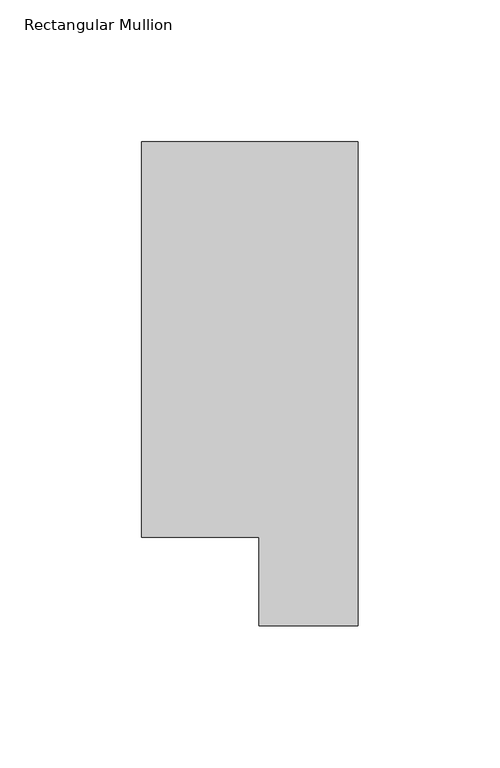
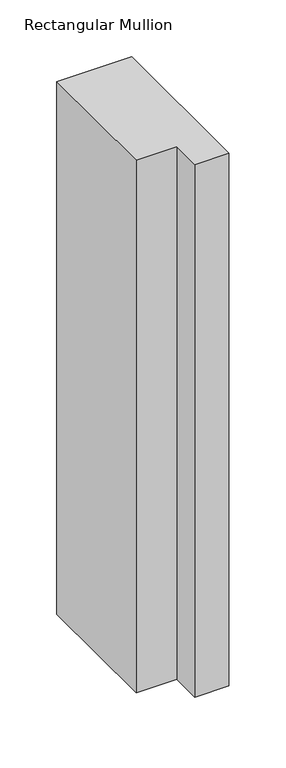
"""IFC4 building model written with IfcOpenShell, lengths in millimetres: member geometry, Rectangular Mullion."""

from ifc_helpers import new_model, si_unit, frame, origin, place, context, project, spatial, polyline, outline, extrude, source, transform, mapped, element, save


def rectangular_mullion_d69905ab(model_context):
    return source(origin(), model_context, "Body", "SweptSolid", [
        extrude(outline(polyline([(-76.2, 190.0007313), (0.0, 190.0007313), (0.0, 19.5667313), (-34.9123, 19.5667313), (-34.9123, 50.820278), (-76.2, 50.820278), (-76.2, 190.0007313)])), frame((0.0, 0.0, -571.8218524), z_axis=(0.0, 0.0, 1.0), x_axis=(1.0, 0.0, 0.0)), (0.0, 0.0, 1.0), 571.8218524),
    ])


if __name__ == "__main__":
    model = new_model("IFC4")
    model_context = context("Model", 3, world=origin())
    ifc_project = project(units=[si_unit("LENGTHUNIT", "METRE", prefix="MILLI")], contexts=[model_context])
    site = spatial("IfcSite", under=ifc_project)
    building = spatial("IfcBuilding", under=site)
    placement = place(None, origin())
    rectangular_mullion_shape = rectangular_mullion_d69905ab(model_context)
    element("IfcMember", 1, ObjectType="Rectangular Mullion", at=placement, inside=building, context=model_context, shape_type="MappedRepresentation", body=[
        mapped(rectangular_mullion_shape, transform((0.0, 0.0, 0.0), x_axis=(1.0, 0.0, 0.0), y_axis=(0.0, 1.0, 0.0), z_axis=(0.0, 0.0, 1.0))),
    ])
    save(model, "model.ifc")
